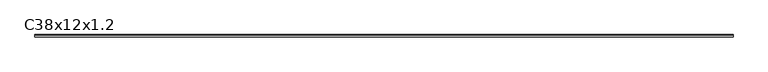
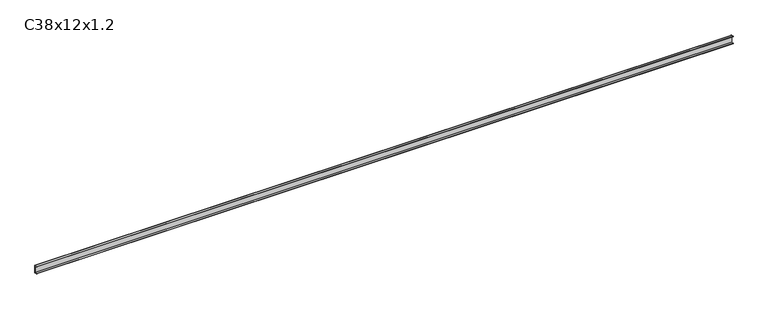
"""IFC4 building model written with IfcOpenShell, lengths in millimetres: proxy geometry, C38x12x1.2."""

from ifc_helpers import new_model, si_unit, point, frame, frame_2d, origin, place, context, project, spatial, polyline, circle_curve, trimmed, segment, composite_curve, outline, extrude, source, transform, mapped, element, save


def c38x12x1_2_544e3681(model_context):
    return source(origin(), model_context, "Body", "SweptSolid", [
        extrude(outline(composite_curve([segment(polyline([(-6.0, 36.8), (-6.0, 38.0), (4.8, 38.0)]), True, "CONTINUOUS"), segment(trimmed(circle_curve(frame_2d((4.8, 36.8)), 1.2), [point((4.8, 38.0))], [point((6.0, 36.8))], False, "CARTESIAN"), True, "CONTINUOUS"), segment(polyline([(6.0, 36.8), (6.0, 1.2)]), True, "CONTINUOUS"), segment(trimmed(circle_curve(frame_2d((4.8, 1.2)), 1.2), [point((6.0, 1.2))], [point((4.8, 0.0))], False, "CARTESIAN"), True, "CONTINUOUS"), segment(polyline([(4.8, 0.0), (-6.0, 0.0), (-6.0, 1.2), (4.8, 1.2), (4.8, 36.8), (-6.0, 36.8)]), True, "CONTINUOUS")], self_intersect=False)), frame((0.0, 0.0, 0.0), z_axis=(1.0, 0.0, 0.0), x_axis=(0.0, 1.0, 0.0)), (0.0, 0.0, 1.0), 3400.0),
    ])


if __name__ == "__main__":
    model = new_model("IFC4")
    model_context = context("Model", 3, world=origin())
    ifc_project = project(units=[si_unit("LENGTHUNIT", "METRE", prefix="MILLI")], contexts=[model_context])
    site = spatial("IfcSite", under=ifc_project)
    building = spatial("IfcBuilding", under=site)
    placement = place(None, origin())
    c38x12x1_2_shape = c38x12x1_2_544e3681(model_context)
    element("IfcBuildingElementProxy", 1, Name="C38x12x1.2", ObjectType="C38x12x1.2", at=placement, inside=building, context=model_context, shape_type="MappedRepresentation", body=[
        mapped(c38x12x1_2_shape, transform((0.0, 0.0, 0.0), x_axis=(1.0, 0.0, 0.0), y_axis=(0.0, 1.0, 0.0), z_axis=(0.0, 0.0, 1.0))),
    ])
    save(model, "model.ifc")
